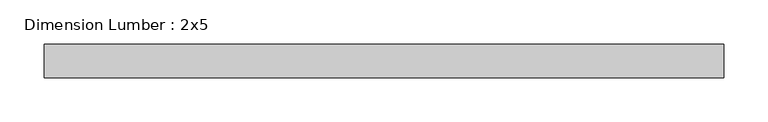
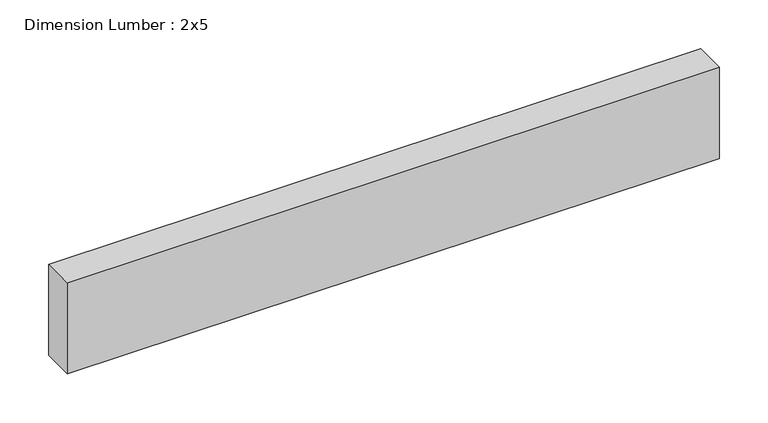
"""IFC4 building model written with IfcOpenShell, lengths in millimetres: beam geometry, Dimension Lumber : 2x5."""

import ifcopenshell
import ifcopenshell.guid

model = None  # the IFC model being written
_history = None  # IfcOwnerHistory: only IFC2X3 demands one
_inside = {}  # id of a spatial element -> (the spatial element, [elements in it])
_under = {}  # id of a project, library or spatial element -> (it, [spatial elements below it])
_declared = {}  # id of a project -> (the project, [libraries it declares])
_typed = {}  # id of a type object -> (the type object, [elements of that type])
_made_of = {}  # id of a material, layer set ... -> (it, [elements and type objects made of it])


def new_model(schema):
    """Start an empty IFC model of exactly this schema.

    Asked for "IFC4X3", IfcOpenShell would pick the latest addendum, in which some entities
    have other attributes; the version numbers below select the first issue.
    IFC2X3 requires an IfcOwnerHistory on every rooted entity: one is made here for all.
    """
    global model, _history
    if schema == "IFC4X3":
        model = ifcopenshell.file(schema_version=(4, 3, 0, 0))
    else:
        model = ifcopenshell.file(schema=schema)
    _inside.clear()
    _under.clear()
    _declared.clear()
    _typed.clear()
    _made_of.clear()
    _history = None
    if model.schema == "IFC2X3":
        org = make("IfcOrganization", Name="unknown")
        user = make(
            "IfcPersonAndOrganization",
            ThePerson=make("IfcPerson", FamilyName="unknown"),
            TheOrganization=org,
        )
        app = make(
            "IfcApplication",
            ApplicationDeveloper=org,
            Version="unknown",
            ApplicationFullName="unknown",
            ApplicationIdentifier="unknown",
        )
        _history = make(
            "IfcOwnerHistory",
            OwningUser=user,
            OwningApplication=app,
            ChangeAction="ADDED",
            CreationDate=0,
        )
    return model


def make(cls, **values):
    """One entity of the class cls with the attributes given. An attribute that is None is left unset."""
    return model.create_entity(
        cls, **{name: value for name, value in values.items() if value is not None}
    )


def rooted(cls, **values):
    """An entity with a GlobalId (a new one), such as an element, a storey or a relation."""
    return make(cls, GlobalId=ifcopenshell.guid.new(), OwnerHistory=_history, **values)


def si_unit(unit_type, name, prefix=None):
    """IfcSIUnit, for example si_unit("LENGTHUNIT", "METRE", prefix="MILLI")."""
    return make("IfcSIUnit", UnitType=unit_type, Prefix=prefix, Name=name)


def assignment(units):
    """IfcUnitAssignment: the units of a project."""
    return None if units is None else make("IfcUnitAssignment", Units=units)


def point(xyz):
    """IfcCartesianPoint."""
    return None if xyz is None else make("IfcCartesianPoint", Coordinates=xyz)


def direction(xyz):
    """IfcDirection."""
    return None if xyz is None else make("IfcDirection", DirectionRatios=xyz)


def frame(location, z_axis=None, x_axis=None):
    """IfcAxis2Placement3D, a coordinate frame: its origin and axes. An axis left out is left unset."""
    return make(
        "IfcAxis2Placement3D",
        Location=point(location),
        Axis=direction(z_axis),
        RefDirection=direction(x_axis),
    )


def origin():
    """The frame at (0, 0, 0) with its axes left unset."""
    return frame((0.0, 0.0, 0.0))


def place(relative_to, where):
    """IfcLocalPlacement: puts the frame where relative to a parent placement (None: the world)."""
    return make(
        "IfcLocalPlacement", PlacementRelTo=relative_to, RelativePlacement=where
    )


def context(
    kind, dimensions, precision=None, world=None, true_north=None, identifier=None
):
    """IfcGeometricRepresentationContext, for example the 3D "Model" context."""
    return make(
        "IfcGeometricRepresentationContext",
        ContextIdentifier=identifier,
        ContextType=kind,
        CoordinateSpaceDimension=dimensions,
        Precision=precision,
        WorldCoordinateSystem=world,
        TrueNorth=true_north,
    )


def project(units=None, contexts=None):
    """IfcProject with its units and contexts."""
    return rooted(
        "IfcProject",
        Name="project",
        RepresentationContexts=contexts,
        UnitsInContext=assignment(units),
    )


def spatial(cls, under=None, at=None, **own):
    """A site, building, storey or space (cls), placed at a placement, below another one or the project."""
    s = rooted(cls, ObjectPlacement=at, **own)
    if under is not None:
        _under.setdefault(under.id(), (under, []))[1].append(s)
    return s


def polyline(points):
    """IfcPolyline through the points."""
    return make("IfcPolyline", Points=[point(p) for p in points])


def outline(outer, holes=None, kind="AREA"):
    """IfcArbitraryClosedProfileDef: a profile drawn as a closed curve; with holes, ...WithVoids."""
    if holes is None:
        return make("IfcArbitraryClosedProfileDef", ProfileType=kind, OuterCurve=outer)
    return make(
        "IfcArbitraryProfileDefWithVoids",
        ProfileType=kind,
        OuterCurve=outer,
        InnerCurves=holes,
    )


def extrude(swept, where, along, depth):
    """IfcExtrudedAreaSolid: the profile swept, set in the frame where, extruded along a direction by depth."""
    return make(
        "IfcExtrudedAreaSolid",
        SweptArea=swept,
        Position=where,
        ExtrudedDirection=direction(along),
        Depth=depth,
    )


def shape(context_of_items, identifier, shape_type, items):
    """IfcShapeRepresentation: the items that make up one representation, for example the "Body"."""
    return make(
        "IfcShapeRepresentation",
        ContextOfItems=context_of_items,
        RepresentationIdentifier=identifier,
        RepresentationType=shape_type,
        Items=items,
    )


def source(mapping_origin, context_of_items, identifier, shape_type, items):
    """IfcRepresentationMap: a shape defined once, which mapped items show again and again."""
    return make(
        "IfcRepresentationMap",
        MappingOrigin=mapping_origin,
        MappedRepresentation=shape(context_of_items, identifier, shape_type, items),
    )


def transform(
    local_origin,
    x_axis=None,
    y_axis=None,
    z_axis=None,
    scale=None,
    scale2=None,
    scale3=None,
    uniform=True,
):
    """IfcCartesianTransformationOperator3D, or its non-uniform kind. x_axis, y_axis, z_axis: its Axis1, 2, 3."""
    if uniform:
        return make(
            "IfcCartesianTransformationOperator3D",
            Axis1=direction(x_axis),
            Axis2=direction(y_axis),
            LocalOrigin=point(local_origin),
            Scale=scale,
            Axis3=direction(z_axis),
        )
    return make(
        "IfcCartesianTransformationOperator3DnonUniform",
        Axis1=direction(x_axis),
        Axis2=direction(y_axis),
        LocalOrigin=point(local_origin),
        Scale=scale,
        Axis3=direction(z_axis),
        Scale2=scale2,
        Scale3=scale3,
    )


def mapped(mapping_source, mapping_target):
    """IfcMappedItem: shows the shape of a source again, moved by a transform."""
    return make(
        "IfcMappedItem", MappingSource=mapping_source, MappingTarget=mapping_target
    )


def made_of(thing, what):
    """Note that an element or type object is made of a material, layer set ...; save() writes the relation."""
    if what is not None:
        _made_of.setdefault(what.id(), (what, []))[1].append(thing)
    return thing


def element(
    cls,
    number,
    at=None,
    inside=None,
    cuts=None,
    type_object=None,
    material=None,
    context=None,
    identifier="Body",
    shape_type=None,
    held_by="IfcProductDefinitionShape",
    body=None,
    shapes=None,
    **own,
):
    """One element of the class cls, such as IfcWall. Its Tag is "e" and its number.

    at: its placement. inside: the storey or other place that contains it. cuts: it is an
    opening in that element (IfcRelVoidsElement). A single representation is given by context,
    identifier, shape_type and body (its items); several are given by shapes. held_by: the class
    of the entity that holds the representations. save() writes the other relations.
    """
    e = rooted(cls, Tag="e%d" % number, ObjectPlacement=at, **own)
    if body is not None:
        shapes = [shape(context, identifier, shape_type, body)]
    if shapes is not None:
        e.Representation = make(held_by, Representations=shapes)
    if inside is not None:
        _inside.setdefault(inside.id(), (inside, []))[1].append(e)
    if cuts is not None:
        rooted(
            "IfcRelVoidsElement", RelatingBuildingElement=cuts, RelatedOpeningElement=e
        )
    if type_object is not None:
        _typed.setdefault(type_object.id(), (type_object, []))[1].append(e)
    return made_of(e, material)


def aggregate(whole, parts):
    """IfcRelAggregates: a whole, such as a stair, and the parts it consists of."""
    return rooted("IfcRelAggregates", RelatingObject=whole, RelatedObjects=parts)


def save(model, path):
    """Write the relations noted so far, then the file.

    IfcRelAggregates (storeys below a building ...), IfcRelContainedInSpatialStructure (elements
    in a storey), IfcRelDefinesByType, IfcRelAssociatesMaterial and IfcRelDeclares: one each for
    every whole, place, type object, material and project.
    """
    for whole, parts in _under.values():
        aggregate(whole, parts)
    for where, things in _inside.values():
        rooted(
            "IfcRelContainedInSpatialStructure",
            RelatedElements=things,
            RelatingStructure=where,
        )
    for kind, things in _typed.values():
        rooted("IfcRelDefinesByType", RelatedObjects=things, RelatingType=kind)
    for what, things in _made_of.values():
        rooted("IfcRelAssociatesMaterial", RelatedObjects=things, RelatingMaterial=what)
    for by, libraries in _declared.values():
        rooted("IfcRelDeclares", RelatingContext=by, RelatedDefinitions=libraries)
    model.write(path)


def dimension_lumber_2x5_2647f154(model_context):
    return source(origin(), model_context, "Body", "SweptSolid", [
        extrude(outline(polyline([(385.7661759, 19.05), (385.7661759, -19.05), (-385.7661759, -19.05), (-385.7661759, 19.05), (385.7661759, 19.05)])), frame((0.0, 0.0, -57.15), z_axis=(0.0, 0.0, 1.0), x_axis=(1.0, 0.0, 0.0)), (0.0, 0.0, 1.0), 114.3),
    ])


if __name__ == "__main__":
    model = new_model("IFC4")
    model_context = context("Model", 3, world=origin())
    ifc_project = project(units=[si_unit("LENGTHUNIT", "METRE", prefix="MILLI")], contexts=[model_context])
    site = spatial("IfcSite", under=ifc_project)
    building = spatial("IfcBuilding", under=site)
    placement = place(None, origin())
    dimension_lumber_2x5_shape = dimension_lumber_2x5_2647f154(model_context)
    element("IfcBeam", 1, ObjectType="Dimension Lumber : 2x5", at=placement, inside=building, context=model_context, shape_type="MappedRepresentation", body=[
        mapped(dimension_lumber_2x5_shape, transform((0.0, 0.0, 0.0), x_axis=(1.0, 0.0, 0.0), y_axis=(0.0, 1.0, 0.0), z_axis=(0.0, 0.0, 1.0))),
    ])
    save(model, "model.ifc")
